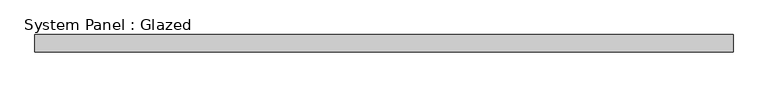
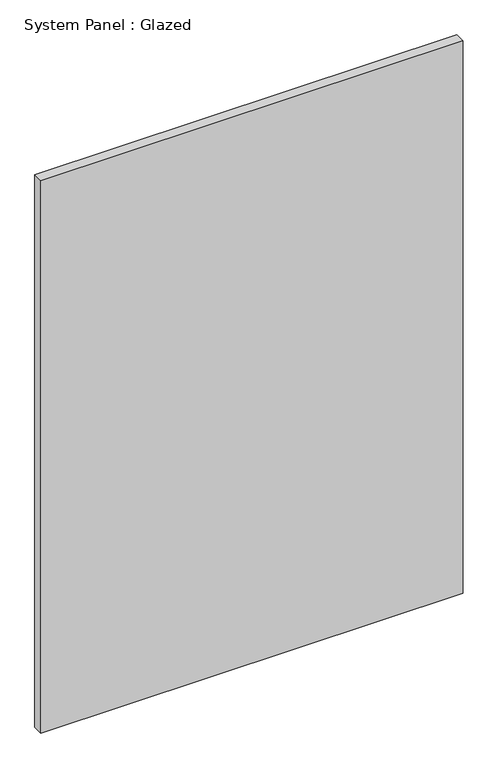
"""IFC4 building model written with IfcOpenShell, lengths in millimetres: plate geometry, System Panel : Glazed."""

from ifc_helpers import new_model, si_unit, origin, origin_with_axes, place, context, project, spatial, polyline, outline, extrude, source, transform, mapped, element, save


def system_panel_glazed_46d4654e(model_context):
    return source(origin(), model_context, "Body", "SweptSolid", [
        extrude(outline(polyline([(509.5875, -44.45), (-509.5875, -44.45), (-509.5875, -19.05), (509.5875, -19.05), (509.5875, -44.45)])), origin_with_axes(), (0.0, 0.0, 1.0), 1409.7),
    ])


if __name__ == "__main__":
    model = new_model("IFC4")
    model_context = context("Model", 3, world=origin())
    ifc_project = project(units=[si_unit("LENGTHUNIT", "METRE", prefix="MILLI")], contexts=[model_context])
    site = spatial("IfcSite", under=ifc_project)
    building = spatial("IfcBuilding", under=site)
    placement = place(None, origin())
    system_panel_glazed_shape = system_panel_glazed_46d4654e(model_context)
    element("IfcPlate", 1, ObjectType="System Panel : Glazed", at=placement, inside=building, context=model_context, shape_type="MappedRepresentation", body=[
        mapped(system_panel_glazed_shape, transform((0.0, 0.0, 0.0), x_axis=(1.0, 0.0, 0.0), y_axis=(0.0, 1.0, 0.0), z_axis=(0.0, 0.0, 1.0))),
    ])
    save(model, "model.ifc")
